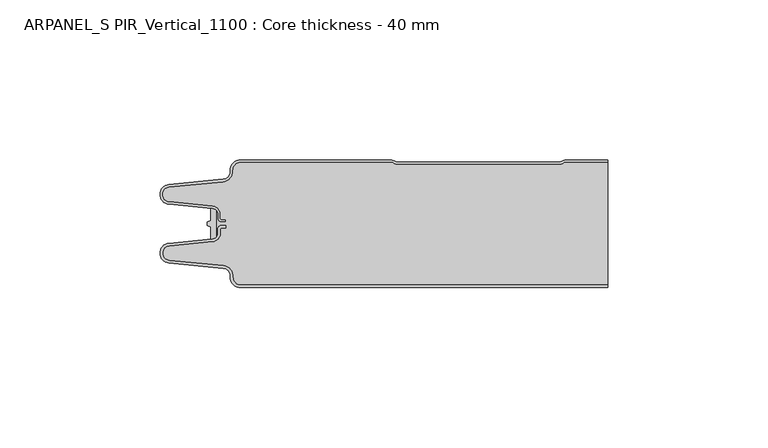
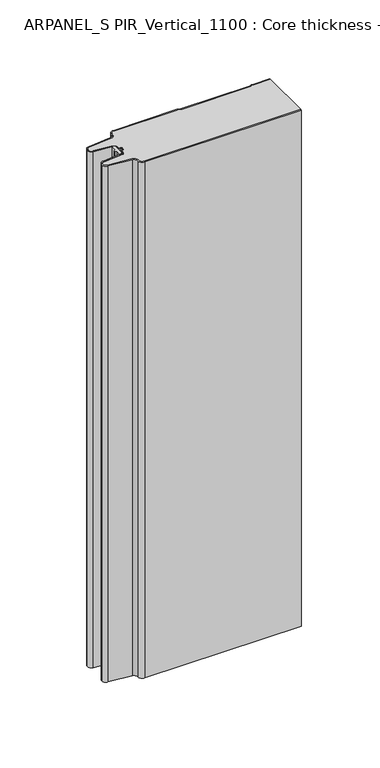
"""IFC4 building model written with IfcOpenShell, lengths in millimetres: plate geometry, ARPANEL_S PIR_Vertical_1100 : Core thickness - 40 mm."""

from ifc_helpers import new_model, si_unit, point, frame, frame_2d, origin, origin_with_axes, place, context, project, spatial, polyline, circle_curve, trimmed, segment, composite_curve, outline, extrude, source, transform, mapped, element, save
from ifc_brep_helpers import plane_surface, cylinder_surface, revolved_surface, advanced_brep


def arpanel_s_pir_vertical_1100_core_thickness_40_mm_82005796(model_context):
    return source(origin(), model_context, "Body", "SolidModel", [
        extrude(outline(composite_curve([segment(polyline([(-55.2854621, -19.4639745), (-54.0682893, -19.0209598), (-54.0682893, -15.20918)]), True, "CONTINUOUS"), segment(trimmed(circle_curve(frame_2d((-53.9194754, -17.302662)), 2.0987645), [point((-54.0682893, -15.20918))], [point((-52.4659308, -15.7887199))], False, "CARTESIAN"), True, "CONTINUOUS"), segment(polyline([(-52.4659308, -15.7887199), (-52.4659308, -24.2112801)]), True, "CONTINUOUS"), segment(trimmed(circle_curve(frame_2d((-53.9194754, -22.697338)), 2.0987645), [point((-52.4659308, -24.2112801))], [point((-54.0682893, -24.79082))], False, "CARTESIAN"), True, "CONTINUOUS"), segment(polyline([(-54.0682893, -24.79082), (-54.0682893, -20.9790402), (-55.2854621, -20.5360255), (-55.2854621, -19.4639745)]), True, "CONTINUOUS")], self_intersect=False)), origin_with_axes(), (0.0, 0.0, 1.0), 400.0),
        advanced_brep(
        [(-44.8000003, -39.9996949, 0.0), (-47.9923632, -36.5787437, 0.0), (-50.2560431, -33.9171154, 0.0), (-67.2115315, -32.2546153, 0.0), (-69.9999998, -29.1776715, 0.0), (-67.2115315, -26.1007278, 0.0), (-53.6195785, -24.7680252, 0.0), (-51.9952277, -22.9766159, 0.0), (-51.9952277, -21.8996949, 0.0), (-50.5952277, -20.4996949, 0.0), (-49.4952277, -20.4996949, 0.0), (-49.4952277, -21.2996949, 0.0), (-50.5952277, -21.2996949, 0.0), (-51.1952277, -21.8996949, 0.0), (-51.1952277, -22.9766159, 0.0), (-53.5415122, -25.5642071, 0.0), (-67.1334652, -26.8969097, 0.0), (-69.1999997, -29.1776715, 0.0), (-67.1334652, -31.4584333, 0.0), (-50.1779767, -33.1209335, 0.0), (-47.2078761, -36.6330399, 0.0), (-44.8000003, -39.1996949, 0.0), (69.9999998, -39.2, 0.0), (69.9999998, -39.9996949, 0.0), (-44.8000003, -39.1996949, 400.0), (-47.1942724, -36.6339815, 400.0), (-50.1779767, -33.1209335, 400.0), (-67.1334652, -31.4584333, 400.0), (-69.1999997, -29.1776715, 400.0), (-67.1334652, -26.8969097, 400.0), (-53.5415122, -25.5642071, 400.0), (-51.1952277, -22.9766159, 400.0), (-51.1952277, -21.8996949, 400.0), (-50.5952277, -21.2996949, 400.0), (-49.4952277, -21.2996949, 400.0), (-49.4952277, -20.4996949, 400.0), (-50.5952277, -20.4996949, 400.0), (-51.9952277, -21.8996949, 400.0), (-51.9952277, -22.9766159, 400.0), (-53.6195785, -24.7680252, 400.0), (-67.2115315, -26.1007278, 400.0), (-69.9999998, -29.1776715, 400.0), (-67.2115315, -32.2546153, 400.0), (-50.2560431, -33.9171154, 400.0), (-48.0059668, -36.5778021, 400.0), (-44.8000003, -39.9996949, 400.0), (69.9999998, -39.9996949, 400.0), (69.9999998, -39.2, 400.0)],
        [
            (0, 1, circle_curve(frame((-44.8000003, -36.7996949, 0.0), z_axis=(0.0, 0.0, -1.0), x_axis=(1.0, 0.0, 0.0)), 3.2)),
            (1, 2, circle_curve(frame((-50.5000003, -36.4051839, 0.0), z_axis=(0.0, 0.0, 1.0), x_axis=(1.0, 0.0, 0.0)), 2.5)),
            (2, 3),
            (3, 4, circle_curve(frame((-66.9100003, -29.1793626, 0.0), z_axis=(0.0, 0.0, -1.0), x_axis=(1.0, 0.0, 0.0)), 3.09)),
            (4, 5, circle_curve(frame((-66.9100003, -29.1759805, 0.0), z_axis=(0.0, 0.0, -1.0), x_axis=(1.0, 0.0, 0.0)), 3.09)),
            (5, 6),
            (6, 7, circle_curve(frame((-53.7952277, -22.9766159, 0.0), z_axis=(0.0, 0.0, 1.0), x_axis=(1.0, 0.0, 0.0)), 1.8)),
            (7, 8),
            (8, 9, circle_curve(frame((-50.5952277, -21.8996949, 0.0), z_axis=(0.0, 0.0, -1.0), x_axis=(1.0, 0.0, 0.0)), 1.4)),
            (9, 10),
            (10, 11),
            (11, 12),
            (12, 13, circle_curve(frame((-50.5952277, -21.8996949, 0.0), z_axis=(0.0, 0.0, 1.0), x_axis=(1.0, 0.0, 0.0)), 0.6)),
            (13, 14),
            (14, 15, circle_curve(frame((-53.7952277, -22.9766159, 0.0), z_axis=(0.0, 0.0, -1.0), x_axis=(1.0, 0.0, 0.0)), 2.6)),
            (15, 16),
            (16, 17, circle_curve(frame((-66.9100003, -29.1759805, 0.0), z_axis=(0.0, 0.0, 1.0), x_axis=(1.0, 0.0, 0.0)), 2.29)),
            (17, 18, circle_curve(frame((-66.9100003, -29.1793626, 0.0), z_axis=(0.0, 0.0, 1.0), x_axis=(1.0, 0.0, 0.0)), 2.29)),
            (18, 19),
            (19, 20, circle_curve(frame((-50.5000003, -36.4051839, 0.0), z_axis=(0.0, 0.0, -1.0), x_axis=(1.0, 0.0, 0.0)), 3.3)),
            (20, 21, circle_curve(frame((-44.8000003, -36.7996949, 0.0), z_axis=(0.0, 0.0, 1.0), x_axis=(1.0, 0.0, 0.0)), 2.4)),
            (21, 22),
            (22, 23),
            (23, 0),
            (24, 25, circle_curve(frame((-44.8000003, -36.7996949, 400.0), z_axis=(0.0, 0.0, -1.0), x_axis=(1.0, 0.0, 0.0)), 2.4)),
            (25, 26, circle_curve(frame((-50.5000003, -36.4051839, 400.0), z_axis=(0.0, 0.0, 1.0), x_axis=(1.0, 0.0, 0.0)), 3.3)),
            (26, 27),
            (27, 28, circle_curve(frame((-66.9100003, -29.1793626, 400.0), z_axis=(0.0, 0.0, -1.0), x_axis=(1.0, 0.0, 0.0)), 2.29)),
            (28, 29, circle_curve(frame((-66.9100003, -29.1759805, 400.0), z_axis=(0.0, 0.0, -1.0), x_axis=(1.0, 0.0, 0.0)), 2.29)),
            (29, 30),
            (30, 31, circle_curve(frame((-53.7952277, -22.9766159, 400.0), z_axis=(0.0, 0.0, 1.0), x_axis=(1.0, 0.0, 0.0)), 2.6)),
            (31, 32),
            (32, 33, circle_curve(frame((-50.5952277, -21.8996949, 400.0), z_axis=(0.0, 0.0, -1.0), x_axis=(1.0, 0.0, 0.0)), 0.6)),
            (33, 34),
            (34, 35),
            (35, 36),
            (36, 37, circle_curve(frame((-50.5952277, -21.8996949, 400.0), z_axis=(0.0, 0.0, 1.0), x_axis=(1.0, 0.0, 0.0)), 1.4)),
            (37, 38),
            (38, 39, circle_curve(frame((-53.7952277, -22.9766159, 400.0), z_axis=(0.0, 0.0, -1.0), x_axis=(1.0, 0.0, 0.0)), 1.8)),
            (39, 40),
            (40, 41, circle_curve(frame((-66.9100003, -29.1759805, 400.0), z_axis=(0.0, 0.0, 1.0), x_axis=(1.0, 0.0, 0.0)), 3.09)),
            (41, 42, circle_curve(frame((-66.9100003, -29.1793626, 400.0), z_axis=(0.0, 0.0, 1.0), x_axis=(1.0, 0.0, 0.0)), 3.09)),
            (42, 43),
            (43, 44, circle_curve(frame((-50.5000003, -36.4051839, 400.0), z_axis=(0.0, 0.0, -1.0), x_axis=(1.0, 0.0, 0.0)), 2.5)),
            (44, 45, circle_curve(frame((-44.8000003, -36.7996949, 400.0), z_axis=(0.0, 0.0, 1.0), x_axis=(1.0, 0.0, 0.0)), 3.2)),
            (45, 46),
            (46, 47),
            (47, 24),
            (21, 24),
            (47, 22),
            (20, 25),
            (19, 26),
            (18, 27),
            (17, 28),
            (16, 29),
            (15, 30),
            (14, 31),
            (13, 32),
            (12, 33),
            (11, 34),
            (10, 35),
            (9, 36),
            (8, 37),
            (7, 38),
            (6, 39),
            (5, 40),
            (4, 41),
            (3, 42),
            (2, 43),
            (1, 44),
            (0, 45),
            (23, 46),
        ],
        [
            plane_surface(frame((-69.9999998, -40.0, 0.0), z_axis=(0.0, 0.0, -1.0), x_axis=(0.0, 1.0, 0.0))),
            plane_surface(frame((-69.9999998, -40.0, 400.0), z_axis=(0.0, 0.0, 1.0), x_axis=(0.0, 1.0, 0.0))),
            plane_surface(frame((-44.8000003, -39.2, 0.0), z_axis=(0.0, 1.0, 0.0), x_axis=(0.0, 0.0, 1.0))),
            revolved_surface(polyline([(-42.4000003, -36.7996949, 400.0), (-42.4000003, -36.7996949, 0.0)]), (-44.8000003, -36.7996949, 0.0), (0.0, 0.0, 1.0)),
            cylinder_surface(frame((-50.5000003, -36.4051839, 0.0), z_axis=(0.0, 0.0, -1.0), x_axis=(1.0, 0.0, 0.0)), 3.3),
            plane_surface(frame((-67.1334652, -31.4584333, 0.0), z_axis=(0.09758289975914758, 0.9952273999818314, 0.0), x_axis=(0.0, 0.0, 1.0))),
            revolved_surface(polyline([(-64.62000029999999, -29.1793626, 400.0), (-64.62000029999999, -29.1793626, 0.0)]), (-66.9100003, -29.1793626, 0.0), (0.0, 0.0, 1.0)),
            revolved_surface(polyline([(-64.62000029999999, -29.1759805, 400.0), (-64.62000029999999, -29.1759805, 0.0)]), (-66.9100003, -29.1759805, 0.0), (0.0, 0.0, 1.0)),
            plane_surface(frame((-53.5415122, -25.5642071, 0.0), z_axis=(0.09758289975914383, -0.9952273999818317, 0.0), x_axis=(0.0, 0.0, 1.0))),
            cylinder_surface(frame((-53.7952277, -22.9766159, 0.0), z_axis=(0.0, 0.0, -1.0), x_axis=(1.0, 0.0, 0.0)), 2.6),
            plane_surface(frame((-51.1952277, -21.8996949, 0.0), z_axis=(1.0, 0.0, 0.0), x_axis=(0.0, 0.0, 1.0))),
            revolved_surface(polyline([(-49.9952277, -21.8996949, 400.0), (-49.9952277, -21.8996949, 0.0)]), (-50.5952277, -21.8996949, 0.0), (0.0, 0.0, 1.0)),
            plane_surface(frame((-49.4952277, -21.2996949, 0.0), z_axis=(0.0, -1.0, 0.0), x_axis=(0.0, 0.0, 1.0))),
            plane_surface(frame((-49.4952277, -20.4996949, 0.0), z_axis=(1.0, 0.0, 0.0), x_axis=(0.0, 0.0, 1.0))),
            plane_surface(frame((-50.5952277, -20.4996949, 0.0), z_axis=(0.0, 1.0, 0.0), x_axis=(0.0, 0.0, 1.0))),
            cylinder_surface(frame((-50.5952277, -21.8996949, 0.0), z_axis=(0.0, 0.0, -1.0), x_axis=(1.0, 0.0, 0.0)), 1.4),
            plane_surface(frame((-51.9952277, -22.9766159, 0.0), z_axis=(-1.0, 0.0, 0.0), x_axis=(0.0, 0.0, 1.0))),
            revolved_surface(polyline([(-51.9952277, -22.9766159, 400.0), (-51.9952277, -22.9766159, 0.0)]), (-53.7952277, -22.9766159, 0.0), (0.0, 0.0, 1.0)),
            plane_surface(frame((-67.2115315, -26.1007278, 0.0), z_axis=(-0.09758289975914387, 0.9952273999818317, 0.0), x_axis=(0.0, 0.0, 1.0))),
            cylinder_surface(frame((-66.9100003, -29.1759805, 0.0), z_axis=(0.0, 0.0, -1.0), x_axis=(1.0, 0.0, 0.0)), 3.09),
            cylinder_surface(frame((-66.9100003, -29.1793626, 0.0), z_axis=(0.0, 0.0, -1.0), x_axis=(1.0, 0.0, 0.0)), 3.09),
            plane_surface(frame((-50.2560431, -33.9171154, 0.0), z_axis=(-0.09758289975914762, -0.9952273999818314, 0.0), x_axis=(0.0, 0.0, 1.0))),
            revolved_surface(polyline([(-48.0000003, -36.4051839, 400.0), (-48.0000003, -36.4051839, 0.0)]), (-50.5000003, -36.4051839, 0.0), (0.0, 0.0, 1.0)),
            cylinder_surface(frame((-44.8000003, -36.7996949, 0.0), z_axis=(0.0, 0.0, -1.0), x_axis=(1.0, 0.0, 0.0)), 3.2),
            plane_surface(frame((1046.009932, -39.9996949, 0.0), z_axis=(0.0, -1.0, 0.0), x_axis=(0.0, 0.0, 1.0))),
            plane_surface(frame((69.9999998, 180.0, 400.0), z_axis=(1.0, 0.0, 0.0), x_axis=(0.0, 0.0, -1.0))),
        ],
        [
            (0, [[1, 2, 3, 4, 5, 6, 7, 8, 9, 10, 11, 12, 13, 14, 15, 16, 17, 18, 19, 20, 21, 22, 23, 24]]),
            (1, [[25, 26, 27, 28, 29, 30, 31, 32, 33, 34, 35, 36, 37, 38, 39, 40, 41, 42, 43, 44, 45, 46, 47, 48]]),
            (2, [[49, -48, 50, -22]]),
            (3, [[-21, 51, -25, -49]]),
            (4, [[-20, 52, -26, -51]]),
            (5, [[-19, 53, -27, -52]]),
            (6, [[-18, 54, -28, -53]]),
            (7, [[-17, 55, -29, -54]]),
            (8, [[-16, 56, -30, -55]]),
            (9, [[-15, 57, -31, -56]]),
            (10, [[-14, 58, -32, -57]]),
            (11, [[-13, 59, -33, -58]]),
            (12, [[-12, 60, -34, -59]]),
            (13, [[-11, 61, -35, -60]]),
            (14, [[-10, 62, -36, -61]]),
            (15, [[-9, 63, -37, -62]]),
            (16, [[-8, 64, -38, -63]]),
            (17, [[-7, 65, -39, -64]]),
            (18, [[-6, 66, -40, -65]]),
            (19, [[-5, 67, -41, -66]]),
            (20, [[-4, 68, -42, -67]]),
            (21, [[-3, 69, -43, -68]]),
            (22, [[-2, 70, -44, -69]]),
            (23, [[-1, 71, -45, -70]]),
            (24, [[-71, -24, 72, -46]]),
            (25, [[-23, -50, -47, -72]]),
        ],
    ),
        advanced_brep(
        [(-51.9952277, -17.0233841, 400.0), (-52.4671027, -15.8084422, 400.0), (-52.4671027, -24.1915578, 400.0), (-51.9952277, -22.9766159, 400.0), (-51.9952277, -21.8996949, 400.0), (-50.5952277, -20.4996949, 400.0), (-49.4952277, -20.4996949, 400.0), (-49.4952277, -21.2996949, 400.0), (-50.5952277, -21.2996949, 400.0), (-51.1952277, -21.8996949, 400.0), (-51.1952277, -22.9766159, 400.0), (-53.5415122, -25.5642071, 400.0), (-67.1334652, -26.8969097, 400.0), (-69.1999997, -29.1776715, 400.0), (-67.1334652, -31.4584333, 400.0), (-50.1779767, -33.1209335, 400.0), (-47.2078761, -36.6330399, 400.0), (-44.8000003, -39.1996949, 400.0), (69.9999998, -39.2, 400.0), (69.9999998, -0.8, 400.0), (57.0487965, -0.8, 400.0), (55.9973806, -1.0986697, 400.0), (54.5769997, -1.5003051, 400.0), (4.4172165, -1.5003051, 400.0), (2.9978051, -1.0971009, 400.0), (1.9454197, -0.8, 400.0), (-44.8000003, -0.8, 400.0), (-47.1942724, -3.3660185, 400.0), (-50.1779767, -6.8790665, 400.0), (-67.1334652, -8.5415667, 400.0), (-69.1999997, -10.8223285, 400.0), (-67.1334652, -13.1030903, 400.0), (-53.5415122, -14.4357929, 400.0), (-51.1952277, -17.0233841, 400.0), (-51.1952277, -18.1003051, 400.0), (-50.5952277, -18.7003051, 400.0), (-49.4952277, -18.7003051, 400.0), (-49.4952277, -19.5003051, 400.0), (-50.5952277, -19.5003051, 400.0), (-51.9952277, -18.1003051, 400.0), (-52.4671027, -15.8084422, 0.0), (-51.9952277, -17.0233841, 0.0), (-51.9952277, -18.1003051, 0.0), (-50.5952277, -19.5003051, 0.0), (-49.4952277, -19.5003051, 0.0), (-49.4952277, -18.7003051, 0.0), (-50.5952277, -18.7003051, 0.0), (-51.1952277, -18.1003051, 0.0), (-51.1952277, -17.0233841, 0.0), (-53.5415122, -14.4357929, 0.0), (-67.1334652, -13.1030903, 0.0), (-69.1999997, -10.8223285, 0.0), (-67.1334652, -8.5415667, 0.0), (-50.1779767, -6.8790665, 0.0), (-47.2078761, -3.3669601, 0.0), (-44.8000003, -0.8003051, 0.0), (1.9454197, -0.8, 0.0), (2.9968355, -1.0986697, 0.0), (4.4172165, -1.5003051, 0.0), (54.5769997, -1.5003051, 0.0), (55.9964111, -1.0971009, 0.0), (57.0487965, -0.8, 0.0), (69.9999998, -0.8, 0.0), (69.9999998, -39.2, 0.0), (-44.8000003, -39.2, 0.0), (-47.1942724, -36.6339815, 0.0), (-50.1779767, -33.1209335, 0.0), (-67.1334652, -31.4584333, 0.0), (-69.1999997, -29.1776715, 0.0), (-67.1334652, -26.8969097, 0.0), (-53.5415122, -25.5642071, 0.0), (-51.1952277, -22.9766159, 0.0), (-51.1952277, -21.8996949, 0.0), (-50.5952277, -21.2996949, 0.0), (-49.4952277, -21.2996949, 0.0), (-49.4952277, -20.4996949, 0.0), (-50.5952277, -20.4996949, 0.0), (-51.9952277, -21.8996949, 0.0), (-51.9952277, -22.9766159, 0.0), (-52.4671027, -24.1915578, 0.0)],
        [
            (0, 1, circle_curve(frame((-53.7952277, -17.0233841, 400.0), z_axis=(0.0, 0.0, 1.0), x_axis=(1.0, 0.0, 0.0)), 1.8)),
            (1, 2),
            (2, 3, circle_curve(frame((-53.7952277, -22.9766159, 400.0), z_axis=(0.0, 0.0, 1.0), x_axis=(1.0, 0.0, 0.0)), 1.8)),
            (3, 4),
            (4, 5, circle_curve(frame((-50.5952277, -21.8996949, 400.0), z_axis=(0.0, 0.0, -1.0), x_axis=(1.0, 0.0, 0.0)), 1.4)),
            (5, 6),
            (6, 7),
            (7, 8),
            (8, 9, circle_curve(frame((-50.5952277, -21.8996949, 400.0), z_axis=(0.0, 0.0, 1.0), x_axis=(1.0, 0.0, 0.0)), 0.6)),
            (9, 10),
            (10, 11, circle_curve(frame((-53.7952277, -22.9766159, 400.0), z_axis=(0.0, 0.0, -1.0), x_axis=(1.0, 0.0, 0.0)), 2.6)),
            (11, 12),
            (12, 13, circle_curve(frame((-66.9100003, -29.1759805, 400.0), z_axis=(0.0, 0.0, 1.0), x_axis=(1.0, 0.0, 0.0)), 2.29)),
            (13, 14, circle_curve(frame((-66.9100003, -29.1793626, 400.0), z_axis=(0.0, 0.0, 1.0), x_axis=(1.0, 0.0, 0.0)), 2.29)),
            (14, 15),
            (15, 16, circle_curve(frame((-50.5000003, -36.4051839, 400.0), z_axis=(0.0, 0.0, -1.0), x_axis=(1.0, 0.0, 0.0)), 3.3)),
            (16, 17, circle_curve(frame((-44.8000003, -36.7996949, 400.0), z_axis=(0.0, 0.0, 1.0), x_axis=(1.0, 0.0, 0.0)), 2.4)),
            (17, 18),
            (18, 19),
            (19, 20),
            (20, 21, circle_curve(frame((57.0487965, -2.8, 400.0), z_axis=(0.0, 0.0, 1.0), x_axis=(1.0, 0.0, 0.0)), 2.0)),
            (21, 22, circle_curve(frame((54.5769997, 1.1996949, 400.0), z_axis=(0.0, 0.0, -1.0), x_axis=(1.0, 0.0, 0.0)), 2.7)),
            (22, 23),
            (23, 24, circle_curve(frame((4.4172165, 1.1996949, 400.0), z_axis=(0.0, 0.0, -1.0), x_axis=(1.0, 0.0, 0.0)), 2.7)),
            (24, 25, circle_curve(frame((1.9454197, -2.8, 400.0), z_axis=(0.0, 0.0, 1.0), x_axis=(1.0, 0.0, 0.0)), 2.0)),
            (25, 26),
            (26, 27, circle_curve(frame((-44.8000003, -3.2003051, 400.0), z_axis=(0.0, 0.0, 1.0), x_axis=(1.0, 0.0, 0.0)), 2.4)),
            (27, 28, circle_curve(frame((-50.5000003, -3.5948161, 400.0), z_axis=(0.0, 0.0, -1.0), x_axis=(1.0, 0.0, 0.0)), 3.3)),
            (28, 29),
            (29, 30, circle_curve(frame((-66.9100003, -10.8206374, 400.0), z_axis=(0.0, 0.0, 1.0), x_axis=(1.0, 0.0, 0.0)), 2.29)),
            (30, 31, circle_curve(frame((-66.9100003, -10.8240195, 400.0), z_axis=(0.0, 0.0, 1.0), x_axis=(1.0, 0.0, 0.0)), 2.29)),
            (31, 32),
            (32, 33, circle_curve(frame((-53.7952277, -17.0233841, 400.0), z_axis=(0.0, 0.0, -1.0), x_axis=(1.0, 0.0, 0.0)), 2.6)),
            (33, 34),
            (34, 35, circle_curve(frame((-50.5952277, -18.1003051, 400.0), z_axis=(0.0, 0.0, 1.0), x_axis=(1.0, 0.0, 0.0)), 0.6)),
            (35, 36),
            (36, 37),
            (37, 38),
            (38, 39, circle_curve(frame((-50.5952277, -18.1003051, 400.0), z_axis=(0.0, 0.0, -1.0), x_axis=(1.0, 0.0, 0.0)), 1.4)),
            (39, 0),
            (40, 41, circle_curve(frame((-53.7952277, -17.0233841, 0.0), z_axis=(0.0, 0.0, -1.0), x_axis=(1.0, 0.0, 0.0)), 1.8)),
            (41, 42),
            (42, 43, circle_curve(frame((-50.5952277, -18.1003051, 0.0), z_axis=(0.0, 0.0, 1.0), x_axis=(1.0, 0.0, 0.0)), 1.4)),
            (43, 44),
            (44, 45),
            (45, 46),
            (46, 47, circle_curve(frame((-50.5952277, -18.1003051, 0.0), z_axis=(0.0, 0.0, -1.0), x_axis=(1.0, 0.0, 0.0)), 0.6)),
            (47, 48),
            (48, 49, circle_curve(frame((-53.7952277, -17.0233841, 0.0), z_axis=(0.0, 0.0, 1.0), x_axis=(1.0, 0.0, 0.0)), 2.6)),
            (49, 50),
            (50, 51, circle_curve(frame((-66.9100003, -10.8240195, 0.0), z_axis=(0.0, 0.0, -1.0), x_axis=(1.0, 0.0, 0.0)), 2.29)),
            (51, 52, circle_curve(frame((-66.9100003, -10.8206374, 0.0), z_axis=(0.0, 0.0, -1.0), x_axis=(1.0, 0.0, 0.0)), 2.29)),
            (52, 53),
            (53, 54, circle_curve(frame((-50.5000003, -3.5948161, 0.0), z_axis=(0.0, 0.0, 1.0), x_axis=(1.0, 0.0, 0.0)), 3.3)),
            (54, 55, circle_curve(frame((-44.8000003, -3.2003051, 0.0), z_axis=(0.0, 0.0, -1.0), x_axis=(1.0, 0.0, 0.0)), 2.4)),
            (55, 56),
            (56, 57, circle_curve(frame((1.9454197, -2.8, 0.0), z_axis=(0.0, 0.0, -1.0), x_axis=(1.0, 0.0, 0.0)), 2.0)),
            (57, 58, circle_curve(frame((4.4172165, 1.1996949, 0.0), z_axis=(0.0, 0.0, 1.0), x_axis=(1.0, 0.0, 0.0)), 2.7)),
            (58, 59),
            (59, 60, circle_curve(frame((54.5769997, 1.1996949, 0.0), z_axis=(0.0, 0.0, 1.0), x_axis=(1.0, 0.0, 0.0)), 2.7)),
            (60, 61, circle_curve(frame((57.0487965, -2.8, 0.0), z_axis=(0.0, 0.0, -1.0), x_axis=(1.0, 0.0, 0.0)), 2.0)),
            (61, 62),
            (62, 63),
            (63, 64),
            (64, 65, circle_curve(frame((-44.8000003, -36.7996949, 0.0), z_axis=(0.0, 0.0, -1.0), x_axis=(1.0, 0.0, 0.0)), 2.4)),
            (65, 66, circle_curve(frame((-50.5000003, -36.4051839, 0.0), z_axis=(0.0, 0.0, 1.0), x_axis=(1.0, 0.0, 0.0)), 3.3)),
            (66, 67),
            (67, 68, circle_curve(frame((-66.9100003, -29.1793626, 0.0), z_axis=(0.0, 0.0, -1.0), x_axis=(1.0, 0.0, 0.0)), 2.29)),
            (68, 69, circle_curve(frame((-66.9100003, -29.1759805, 0.0), z_axis=(0.0, 0.0, -1.0), x_axis=(1.0, 0.0, 0.0)), 2.29)),
            (69, 70),
            (70, 71, circle_curve(frame((-53.7952277, -22.9766159, 0.0), z_axis=(0.0, 0.0, 1.0), x_axis=(1.0, 0.0, 0.0)), 2.6)),
            (71, 72),
            (72, 73, circle_curve(frame((-50.5952277, -21.8996949, 0.0), z_axis=(0.0, 0.0, -1.0), x_axis=(1.0, 0.0, 0.0)), 0.6)),
            (73, 74),
            (74, 75),
            (75, 76),
            (76, 77, circle_curve(frame((-50.5952277, -21.8996949, 0.0), z_axis=(0.0, 0.0, 1.0), x_axis=(1.0, 0.0, 0.0)), 1.4)),
            (77, 78),
            (78, 79, circle_curve(frame((-53.7952277, -22.9766159, 0.0), z_axis=(0.0, 0.0, -1.0), x_axis=(1.0, 0.0, 0.0)), 1.8)),
            (79, 40),
            (1, 40),
            (79, 2),
            (0, 41),
            (39, 42),
            (38, 43),
            (37, 44),
            (45, 36),
            (35, 46),
            (34, 47),
            (33, 48),
            (32, 49),
            (31, 50),
            (30, 51),
            (29, 52),
            (28, 53),
            (27, 54),
            (26, 55),
            (25, 56),
            (24, 57),
            (23, 58),
            (22, 59),
            (21, 60),
            (20, 61),
            (19, 62),
            (17, 64),
            (63, 18),
            (16, 65),
            (15, 66),
            (14, 67),
            (13, 68),
            (12, 69),
            (11, 70),
            (10, 71),
            (9, 72),
            (8, 73),
            (7, 74),
            (6, 75),
            (5, 76),
            (4, 77),
            (3, 78),
        ],
        [
            plane_surface(frame((-69.9999998, 0.0, 400.0), z_axis=(0.0, 0.0, 1.0), x_axis=(0.0, -1.0, 0.0))),
            plane_surface(frame((-69.9999998, 0.0, 0.0), z_axis=(0.0, 0.0, -1.0), x_axis=(0.0, -1.0, 0.0))),
            plane_surface(frame((-52.4671027, -14.998578, 400.0), z_axis=(-1.0, 0.0, 0.0), x_axis=(0.0, 0.0, -1.0))),
            cylinder_surface(frame((-53.7952277, -17.0233841, 530.0), z_axis=(0.0, 0.0, -1.0), x_axis=(1.0, 0.0, 0.0)), 1.8),
            plane_surface(frame((-51.9952277, -17.0233841, 530.0), z_axis=(1.0, 0.0, 0.0), x_axis=(0.0, 0.0, -1.0))),
            revolved_surface(polyline([(-49.195227700000004, -18.1003051, 400.0), (-49.195227700000004, -18.1003051, 0.0)]), (-50.5952277, -18.1003051, 530.0), (0.0, 0.0, 1.0)),
            plane_surface(frame((-50.5952277, -19.5003051, 530.0), z_axis=(0.0, 1.0, 0.0), x_axis=(0.0, 0.0, -1.0))),
            plane_surface(frame((-49.4952277, -18.7003051, 530.0), z_axis=(0.0, -1.0, 0.0), x_axis=(0.0, 0.0, -1.0))),
            cylinder_surface(frame((-50.5952277, -18.1003051, 530.0), z_axis=(0.0, 0.0, -1.0), x_axis=(1.0, 0.0, 0.0)), 0.6),
            plane_surface(frame((-51.1952277, -18.1003051, 530.0), z_axis=(-1.0, 0.0, 0.0), x_axis=(0.0, 0.0, -1.0))),
            revolved_surface(polyline([(-51.1952277, -17.0233841, 400.0), (-51.1952277, -17.0233841, 0.0)]), (-53.7952277, -17.0233841, 530.0), (0.0, 0.0, 1.0)),
            plane_surface(frame((-53.5415122, -14.4357929, 530.0), z_axis=(-0.09758289975914705, -0.9952273999818314, 0.0), x_axis=(0.0, 0.0, -1.0))),
            cylinder_surface(frame((-66.9100003, -10.8240195, 530.0), z_axis=(0.0, 0.0, -1.0), x_axis=(1.0, 0.0, 0.0)), 2.29),
            cylinder_surface(frame((-66.9100003, -10.8206374, 530.0), z_axis=(0.0, 0.0, -1.0), x_axis=(1.0, 0.0, 0.0)), 2.29),
            plane_surface(frame((-67.1334652, -8.5415667, 530.0), z_axis=(-0.09758289975914436, 0.9952273999818317, 0.0), x_axis=(0.0, 0.0, -1.0))),
            revolved_surface(polyline([(-47.200000300000006, -3.5948161, 400.0), (-47.200000300000006, -3.5948161, 0.0)]), (-50.5000003, -3.5948161, 530.0), (0.0, 0.0, 1.0)),
            cylinder_surface(frame((-44.8000003, -3.2003051, 530.0), z_axis=(0.0, 0.0, -1.0), x_axis=(1.0, 0.0, 0.0)), 2.4),
            plane_surface(frame((-44.8000003, -0.8, 530.0), z_axis=(0.0, 1.0, 0.0), x_axis=(0.0, 0.0, -1.0))),
            cylinder_surface(frame((1.9454197, -2.8, 530.0), z_axis=(0.0, 0.0, -1.0), x_axis=(1.0, 0.0, 0.0)), 2.0),
            revolved_surface(polyline([(7.1172165000000005, 1.1996949, 400.0), (7.1172165000000005, 1.1996949, 0.0)]), (4.4172165, 1.1996949, 530.0), (0.0, 0.0, 1.0)),
            plane_surface(frame((4.4172165, -1.5003051, 530.0), z_axis=(0.0, 1.0, 0.0), x_axis=(0.0, 0.0, -1.0))),
            revolved_surface(polyline([(57.276999700000005, 1.1996949, 400.0), (57.276999700000005, 1.1996949, 0.0)]), (54.5769997, 1.1996949, 530.0), (0.0, 0.0, 1.0)),
            cylinder_surface(frame((57.0487965, -2.8, 530.0), z_axis=(0.0, 0.0, -1.0), x_axis=(1.0, 0.0, 0.0)), 2.0),
            plane_surface(frame((57.0487965, -0.8, 530.0), z_axis=(0.0, 1.0, 0.0), x_axis=(0.0, 0.0, -1.0))),
            plane_surface(frame((-49.4952277, -19.5003051, 530.0), z_axis=(-1.0, 0.0, 0.0), x_axis=(0.0, 0.0, -1.0))),
            plane_surface(frame((1046.009932, -39.2, 530.0), z_axis=(0.0, -1.0, 0.0), x_axis=(0.0, 0.0, -1.0))),
            cylinder_surface(frame((-44.8000003, -36.7996949, 530.0), z_axis=(0.0, 0.0, -1.0), x_axis=(1.0, 0.0, 0.0)), 2.4),
            revolved_surface(polyline([(-47.200000300000006, -36.4051839, 400.0), (-47.200000300000006, -36.4051839, 0.0)]), (-50.5000003, -36.4051839, 530.0), (0.0, 0.0, 1.0)),
            plane_surface(frame((-50.1779767, -33.1209335, 530.0), z_axis=(-0.09758289975914758, -0.9952273999818314, 0.0), x_axis=(0.0, 0.0, -1.0))),
            cylinder_surface(frame((-66.9100003, -29.1793626, 530.0), z_axis=(0.0, 0.0, -1.0), x_axis=(1.0, 0.0, 0.0)), 2.29),
            cylinder_surface(frame((-66.9100003, -29.1759805, 530.0), z_axis=(0.0, 0.0, -1.0), x_axis=(1.0, 0.0, 0.0)), 2.29),
            plane_surface(frame((-67.1334652, -26.8969097, 530.0), z_axis=(-0.09758289975914383, 0.9952273999818317, 0.0), x_axis=(0.0, 0.0, -1.0))),
            revolved_surface(polyline([(-51.1952277, -22.9766159, 400.0), (-51.1952277, -22.9766159, 0.0)]), (-53.7952277, -22.9766159, 530.0), (0.0, 0.0, 1.0)),
            plane_surface(frame((-51.1952277, -22.9766159, 530.0), z_axis=(-1.0, 0.0, 0.0), x_axis=(0.0, 0.0, -1.0))),
            cylinder_surface(frame((-50.5952277, -21.8996949, 530.0), z_axis=(0.0, 0.0, -1.0), x_axis=(1.0, 0.0, 0.0)), 0.6),
            plane_surface(frame((-50.5952277, -21.2996949, 530.0), z_axis=(0.0, 1.0, 0.0), x_axis=(0.0, 0.0, -1.0))),
            plane_surface(frame((-49.4952277, -21.2996949, 530.0), z_axis=(-1.0, 0.0, 0.0), x_axis=(0.0, 0.0, -1.0))),
            plane_surface(frame((-49.4952277, -20.4996949, 530.0), z_axis=(0.0, -1.0, 0.0), x_axis=(0.0, 0.0, -1.0))),
            revolved_surface(polyline([(-49.195227700000004, -21.8996949, 400.0), (-49.195227700000004, -21.8996949, 0.0)]), (-50.5952277, -21.8996949, 530.0), (0.0, 0.0, 1.0)),
            plane_surface(frame((-51.9952277, -21.8996949, 530.0), z_axis=(1.0, 0.0, 0.0), x_axis=(0.0, 0.0, -1.0))),
            cylinder_surface(frame((-53.7952277, -22.9766159, 530.0), z_axis=(0.0, 0.0, -1.0), x_axis=(1.0, 0.0, 0.0)), 1.8),
            plane_surface(frame((69.9999998, 180.0, 400.0), z_axis=(1.0, 0.0, 0.0), x_axis=(0.0, 0.0, -1.0))),
        ],
        [
            (0, [[1, 2, 3, 4, 5, 6, 7, 8, 9, 10, 11, 12, 13, 14, 15, 16, 17, 18, 19, 20, 21, 22, 23, 24, 25, 26, 27, 28, 29, 30, 31, 32, 33, 34, 35, 36, 37, 38, 39, 40]]),
            (1, [[41, 42, 43, 44, 45, 46, 47, 48, 49, 50, 51, 52, 53, 54, 55, 56, 57, 58, 59, 60, 61, 62, 63, 64, 65, 66, 67, 68, 69, 70, 71, 72, 73, 74, 75, 76, 77, 78, 79, 80]]),
            (2, [[81, -80, 82, -2]]),
            (3, [[83, -41, -81, -1]]),
            (4, [[-83, -40, 84, -42]]),
            (5, [[-84, -39, 85, -43]]),
            (6, [[-85, -38, 86, -44]]),
            (7, [[87, -36, 88, -46]]),
            (8, [[-88, -35, 89, -47]]),
            (9, [[-89, -34, 90, -48]]),
            (10, [[-90, -33, 91, -49]]),
            (11, [[-91, -32, 92, -50]]),
            (12, [[-92, -31, 93, -51]]),
            (13, [[-93, -30, 94, -52]]),
            (14, [[-94, -29, 95, -53]]),
            (15, [[-95, -28, 96, -54]]),
            (16, [[-96, -27, 97, -55]]),
            (17, [[-97, -26, 98, -56]]),
            (18, [[-98, -25, 99, -57]]),
            (19, [[-99, -24, 100, -58]]),
            (20, [[-100, -23, 101, -59]]),
            (21, [[-101, -22, 102, -60]]),
            (22, [[-102, -21, 103, -61]]),
            (23, [[-103, -20, 104, -62]]),
            (24, [[-87, -45, -86, -37]]),
            (25, [[105, -64, 106, -18]]),
            (26, [[-105, -17, 107, -65]]),
            (27, [[-107, -16, 108, -66]]),
            (28, [[-108, -15, 109, -67]]),
            (29, [[-109, -14, 110, -68]]),
            (30, [[-110, -13, 111, -69]]),
            (31, [[-111, -12, 112, -70]]),
            (32, [[-112, -11, 113, -71]]),
            (33, [[-113, -10, 114, -72]]),
            (34, [[-114, -9, 115, -73]]),
            (35, [[-115, -8, 116, -74]]),
            (36, [[-116, -7, 117, -75]]),
            (37, [[-117, -6, 118, -76]]),
            (38, [[-118, -5, 119, -77]]),
            (39, [[-119, -4, 120, -78]]),
            (40, [[-120, -3, -82, -79]]),
            (41, [[-104, -19, -106, -63]]),
        ],
    ),
        advanced_brep(
        [(2.9968355, -1.0986697, 0.0), (1.9454197, -0.8, 0.0), (-44.8000003, -0.8, 0.0), (-47.1942724, -3.3660185, 0.0), (-50.1779767, -6.8790665, 0.0), (-67.1334652, -8.5415667, 0.0), (-69.1999997, -10.8223285, 0.0), (-67.1334652, -13.1030903, 0.0), (-53.5415122, -14.4357929, 0.0), (-51.1952277, -17.0233841, 0.0), (-51.1952277, -18.1003051, 0.0), (-50.5952277, -18.7003051, 0.0), (-49.4952277, -18.7003051, 0.0), (-49.4952277, -19.5003051, 0.0), (-50.5952277, -19.5003051, 0.0), (-51.9952277, -18.1003051, 0.0), (-51.9952277, -17.0233841, 0.0), (-53.6195785, -15.2319748, 0.0), (-67.2115315, -13.8992722, 0.0), (-69.9999998, -10.8223285, 0.0), (-67.2115315, -7.7453847, 0.0), (-50.2560431, -6.0828846, 0.0), (-48.0059668, -3.4221979, 0.0), (-44.8000003, -0.0003051, 0.0), (1.9454197, -0.0003051, 0.0), (3.3647528, -0.4034608, 0.0), (4.4172165, -0.7003051, 0.0), (54.5769997, -0.7003051, 0.0), (55.6283575, -0.4016712, 0.0), (57.0487965, -0.0003051, 0.0), (69.9999998, -0.0003051, 0.0), (69.9999998, -0.8, 0.0), (57.0487965, -0.8, 0.0), (55.9973806, -1.0986697, 0.0), (54.5769997, -1.5003051, 0.0), (4.4172165, -1.5003051, 0.0), (2.9978051, -1.0971009, 400.0), (4.4172165, -1.5003051, 400.0), (54.5769997, -1.5003051, 400.0), (55.9964111, -1.0971009, 400.0), (57.0487965, -0.8, 400.0), (69.9999998, -0.8, 400.0), (69.9999998, -0.0003051, 400.0), (57.0487965, -0.0003051, 400.0), (55.6294634, -0.4034608, 400.0), (54.5769997, -0.7003051, 400.0), (4.4172165, -0.7003051, 400.0), (3.3658586, -0.4016712, 400.0), (1.9454197, -0.0003051, 400.0), (-44.8000003, -0.0003051, 400.0), (-47.9923632, -3.4212563, 400.0), (-50.2560431, -6.0828846, 400.0), (-67.2115315, -7.7453847, 400.0), (-69.9999998, -10.8223285, 400.0), (-67.2115315, -13.8992722, 400.0), (-53.6195785, -15.2319748, 400.0), (-51.9952277, -17.0233841, 400.0), (-51.9952277, -18.1003051, 400.0), (-50.5952277, -19.5003051, 400.0), (-49.4952277, -19.5003051, 400.0), (-49.4952277, -18.7003051, 400.0), (-50.5952277, -18.7003051, 400.0), (-51.1952277, -18.1003051, 400.0), (-51.1952277, -17.0233841, 400.0), (-53.5415122, -14.4357929, 400.0), (-67.1334652, -13.1030903, 400.0), (-69.1999997, -10.8223285, 400.0), (-67.1334652, -8.5415667, 400.0), (-50.1779767, -6.8790665, 400.0), (-47.2078761, -3.3669601, 400.0), (-44.8000003, -0.8003051, 400.0), (1.9454197, -0.8, 400.0)],
        [
            (0, 1, circle_curve(frame((1.9454197, -2.8, 0.0), z_axis=(0.0, 0.0, 1.0), x_axis=(1.0, 0.0, 0.0)), 2.0)),
            (1, 2),
            (2, 3, circle_curve(frame((-44.8000003, -3.2003051, 0.0), z_axis=(0.0, 0.0, 1.0), x_axis=(1.0, 0.0, 0.0)), 2.4)),
            (3, 4, circle_curve(frame((-50.5000003, -3.5948161, 0.0), z_axis=(0.0, 0.0, -1.0), x_axis=(1.0, 0.0, 0.0)), 3.3)),
            (4, 5),
            (5, 6, circle_curve(frame((-66.9100003, -10.8206374, 0.0), z_axis=(0.0, 0.0, 1.0), x_axis=(1.0, 0.0, 0.0)), 2.29)),
            (6, 7, circle_curve(frame((-66.9100003, -10.8240195, 0.0), z_axis=(0.0, 0.0, 1.0), x_axis=(1.0, 0.0, 0.0)), 2.29)),
            (7, 8),
            (8, 9, circle_curve(frame((-53.7952277, -17.0233841, 0.0), z_axis=(0.0, 0.0, -1.0), x_axis=(1.0, 0.0, 0.0)), 2.6)),
            (9, 10),
            (10, 11, circle_curve(frame((-50.5952277, -18.1003051, 0.0), z_axis=(0.0, 0.0, 1.0), x_axis=(1.0, 0.0, 0.0)), 0.6)),
            (11, 12),
            (12, 13),
            (13, 14),
            (14, 15, circle_curve(frame((-50.5952277, -18.1003051, 0.0), z_axis=(0.0, 0.0, -1.0), x_axis=(1.0, 0.0, 0.0)), 1.4)),
            (15, 16),
            (16, 17, circle_curve(frame((-53.7952277, -17.0233841, 0.0), z_axis=(0.0, 0.0, 1.0), x_axis=(1.0, 0.0, 0.0)), 1.8)),
            (17, 18),
            (18, 19, circle_curve(frame((-66.9100003, -10.8240195, 0.0), z_axis=(0.0, 0.0, -1.0), x_axis=(1.0, 0.0, 0.0)), 3.09)),
            (19, 20, circle_curve(frame((-66.9100003, -10.8206374, 0.0), z_axis=(0.0, 0.0, -1.0), x_axis=(1.0, 0.0, 0.0)), 3.09)),
            (20, 21),
            (21, 22, circle_curve(frame((-50.5000003, -3.5948161, 0.0), z_axis=(0.0, 0.0, 1.0), x_axis=(1.0, 0.0, 0.0)), 2.5)),
            (22, 23, circle_curve(frame((-44.8000003, -3.2003051, 0.0), z_axis=(0.0, 0.0, -1.0), x_axis=(1.0, 0.0, 0.0)), 3.2)),
            (23, 24),
            (24, 25, circle_curve(frame((1.9454197, -2.7003051, 0.0), z_axis=(0.0, 0.0, -1.0), x_axis=(1.0, 0.0, 0.0)), 2.7)),
            (25, 26, circle_curve(frame((4.4172165, 1.2996949, 0.0), z_axis=(0.0, 0.0, 1.0), x_axis=(1.0, 0.0, 0.0)), 2.0)),
            (26, 27),
            (27, 28, circle_curve(frame((54.5769997, 1.2996949, 0.0), z_axis=(0.0, 0.0, 1.0), x_axis=(1.0, 0.0, 0.0)), 2.0)),
            (28, 29, circle_curve(frame((57.0487965, -2.7003051, 0.0), z_axis=(0.0, 0.0, -1.0), x_axis=(1.0, 0.0, 0.0)), 2.7)),
            (29, 30),
            (30, 31),
            (31, 32),
            (32, 33, circle_curve(frame((57.0487965, -2.8, 0.0), z_axis=(0.0, 0.0, 1.0), x_axis=(1.0, 0.0, 0.0)), 2.0)),
            (33, 34, circle_curve(frame((54.5769997, 1.1996949, 0.0), z_axis=(0.0, 0.0, -1.0), x_axis=(1.0, 0.0, 0.0)), 2.7)),
            (34, 35),
            (35, 0, circle_curve(frame((4.4172165, 1.1996949, 0.0), z_axis=(0.0, 0.0, -1.0), x_axis=(1.0, 0.0, 0.0)), 2.7)),
            (36, 37, circle_curve(frame((4.4172165, 1.1996949, 400.0), z_axis=(0.0, 0.0, 1.0), x_axis=(1.0, 0.0, 0.0)), 2.7)),
            (37, 38),
            (38, 39, circle_curve(frame((54.5769997, 1.1996949, 400.0), z_axis=(0.0, 0.0, 1.0), x_axis=(1.0, 0.0, 0.0)), 2.7)),
            (39, 40, circle_curve(frame((57.0487965, -2.8, 400.0), z_axis=(0.0, 0.0, -1.0), x_axis=(1.0, 0.0, 0.0)), 2.0)),
            (40, 41),
            (41, 42),
            (42, 43),
            (43, 44, circle_curve(frame((57.0487965, -2.7003051, 400.0), z_axis=(0.0, 0.0, 1.0), x_axis=(1.0, 0.0, 0.0)), 2.7)),
            (44, 45, circle_curve(frame((54.5769997, 1.2996949, 400.0), z_axis=(0.0, 0.0, -1.0), x_axis=(1.0, 0.0, 0.0)), 2.0)),
            (45, 46),
            (46, 47, circle_curve(frame((4.4172165, 1.2996949, 400.0), z_axis=(0.0, 0.0, -1.0), x_axis=(1.0, 0.0, 0.0)), 2.0)),
            (47, 48, circle_curve(frame((1.9454197, -2.7003051, 400.0), z_axis=(0.0, 0.0, 1.0), x_axis=(1.0, 0.0, 0.0)), 2.7)),
            (48, 49),
            (49, 50, circle_curve(frame((-44.8000003, -3.2003051, 400.0), z_axis=(0.0, 0.0, 1.0), x_axis=(1.0, 0.0, 0.0)), 3.2)),
            (50, 51, circle_curve(frame((-50.5000003, -3.5948161, 400.0), z_axis=(0.0, 0.0, -1.0), x_axis=(1.0, 0.0, 0.0)), 2.5)),
            (51, 52),
            (52, 53, circle_curve(frame((-66.9100003, -10.8206374, 400.0), z_axis=(0.0, 0.0, 1.0), x_axis=(1.0, 0.0, 0.0)), 3.09)),
            (53, 54, circle_curve(frame((-66.9100003, -10.8240195, 400.0), z_axis=(0.0, 0.0, 1.0), x_axis=(1.0, 0.0, 0.0)), 3.09)),
            (54, 55),
            (55, 56, circle_curve(frame((-53.7952277, -17.0233841, 400.0), z_axis=(0.0, 0.0, -1.0), x_axis=(1.0, 0.0, 0.0)), 1.8)),
            (56, 57),
            (57, 58, circle_curve(frame((-50.5952277, -18.1003051, 400.0), z_axis=(0.0, 0.0, 1.0), x_axis=(1.0, 0.0, 0.0)), 1.4)),
            (58, 59),
            (59, 60),
            (60, 61),
            (61, 62, circle_curve(frame((-50.5952277, -18.1003051, 400.0), z_axis=(0.0, 0.0, -1.0), x_axis=(1.0, 0.0, 0.0)), 0.6)),
            (62, 63),
            (63, 64, circle_curve(frame((-53.7952277, -17.0233841, 400.0), z_axis=(0.0, 0.0, 1.0), x_axis=(1.0, 0.0, 0.0)), 2.6)),
            (64, 65),
            (65, 66, circle_curve(frame((-66.9100003, -10.8240195, 400.0), z_axis=(0.0, 0.0, -1.0), x_axis=(1.0, 0.0, 0.0)), 2.29)),
            (66, 67, circle_curve(frame((-66.9100003, -10.8206374, 400.0), z_axis=(0.0, 0.0, -1.0), x_axis=(1.0, 0.0, 0.0)), 2.29)),
            (67, 68),
            (68, 69, circle_curve(frame((-50.5000003, -3.5948161, 400.0), z_axis=(0.0, 0.0, 1.0), x_axis=(1.0, 0.0, 0.0)), 3.3)),
            (69, 70, circle_curve(frame((-44.8000003, -3.2003051, 400.0), z_axis=(0.0, 0.0, -1.0), x_axis=(1.0, 0.0, 0.0)), 2.4)),
            (70, 71),
            (71, 36, circle_curve(frame((1.9454197, -2.8, 400.0), z_axis=(0.0, 0.0, -1.0), x_axis=(1.0, 0.0, 0.0)), 2.0)),
            (0, 36),
            (71, 1),
            (70, 2),
            (69, 3),
            (68, 4),
            (67, 5),
            (66, 6),
            (65, 7),
            (64, 8),
            (63, 9),
            (62, 10),
            (61, 11),
            (60, 12),
            (59, 13),
            (58, 14),
            (57, 15),
            (56, 16),
            (55, 17),
            (54, 18),
            (53, 19),
            (52, 20),
            (51, 21),
            (50, 22),
            (49, 23),
            (48, 24),
            (47, 25),
            (46, 26),
            (45, 27),
            (44, 28),
            (43, 29),
            (42, 30),
            (40, 32),
            (31, 41),
            (39, 33),
            (38, 34),
            (37, 35),
        ],
        [
            plane_surface(frame((-69.9999998, 0.0, 0.0), z_axis=(0.0, 0.0, -1.0), x_axis=(0.0, -1.0, 0.0))),
            plane_surface(frame((-69.9999998, 0.0, 400.0), z_axis=(0.0, 0.0, 1.0), x_axis=(0.0, -1.0, 0.0))),
            revolved_surface(polyline([(3.9454197, -2.8, 400.0), (3.9454197, -2.8, 0.0)]), (1.9454197, -2.8, 0.0), (0.0, 0.0, 1.0)),
            plane_surface(frame((1.9454197, -0.8, 0.0), z_axis=(0.0, -1.0, 0.0), x_axis=(0.0, 0.0, 1.0))),
            revolved_surface(polyline([(-42.4000003, -3.2003051, 400.0), (-42.4000003, -3.2003051, 0.0)]), (-44.8000003, -3.2003051, 0.0), (0.0, 0.0, 1.0)),
            cylinder_surface(frame((-50.5000003, -3.5948161, 0.0), z_axis=(0.0, 0.0, -1.0), x_axis=(1.0, 0.0, 0.0)), 3.3),
            plane_surface(frame((-50.1779767, -6.8790665, 0.0), z_axis=(0.09758289975914113, -0.9952273999818321, 0.0), x_axis=(0.0, 0.0, 1.0))),
            revolved_surface(polyline([(-64.62000029999999, -10.8206374, 400.0), (-64.62000029999999, -10.8206374, 0.0)]), (-66.9100003, -10.8206374, 0.0), (0.0, 0.0, 1.0)),
            revolved_surface(polyline([(-64.62000029999999, -10.8240195, 400.0), (-64.62000029999999, -10.8240195, 0.0)]), (-66.9100003, -10.8240195, 0.0), (0.0, 0.0, 1.0)),
            plane_surface(frame((-67.1334652, -13.1030903, 0.0), z_axis=(0.0975828997591503, 0.9952273999818312, 0.0), x_axis=(0.0, 0.0, 1.0))),
            cylinder_surface(frame((-53.7952277, -17.0233841, 0.0), z_axis=(0.0, 0.0, -1.0), x_axis=(1.0, 0.0, 0.0)), 2.6),
            plane_surface(frame((-51.1952277, -17.0233841, 0.0), z_axis=(1.0, 0.0, 0.0), x_axis=(0.0, 0.0, 1.0))),
            revolved_surface(polyline([(-49.9952277, -18.1003051, 400.0), (-49.9952277, -18.1003051, 0.0)]), (-50.5952277, -18.1003051, 0.0), (0.0, 0.0, 1.0)),
            plane_surface(frame((-50.5952277, -18.7003051, 0.0), z_axis=(0.0, 1.0, 0.0), x_axis=(0.0, 0.0, 1.0))),
            plane_surface(frame((-49.4952277, -18.7003051, 0.0), z_axis=(1.0, 0.0, 0.0), x_axis=(0.0, 0.0, 1.0))),
            plane_surface(frame((-49.4952277, -19.5003051, 0.0), z_axis=(0.0, -1.0, 0.0), x_axis=(0.0, 0.0, 1.0))),
            cylinder_surface(frame((-50.5952277, -18.1003051, 0.0), z_axis=(0.0, 0.0, -1.0), x_axis=(1.0, 0.0, 0.0)), 1.4),
            plane_surface(frame((-51.9952277, -18.1003051, 0.0), z_axis=(-1.0, 0.0, 0.0), x_axis=(0.0, 0.0, 1.0))),
            revolved_surface(polyline([(-51.9952277, -17.0233841, 400.0), (-51.9952277, -17.0233841, 0.0)]), (-53.7952277, -17.0233841, 0.0), (0.0, 0.0, 1.0)),
            plane_surface(frame((-53.6195785, -15.2319748, 0.0), z_axis=(-0.09758289975915034, -0.9952273999818312, 0.0), x_axis=(0.0, 0.0, 1.0))),
            cylinder_surface(frame((-66.9100003, -10.8240195, 0.0), z_axis=(0.0, 0.0, -1.0), x_axis=(1.0, 0.0, 0.0)), 3.09),
            cylinder_surface(frame((-66.9100003, -10.8206374, 0.0), z_axis=(0.0, 0.0, -1.0), x_axis=(1.0, 0.0, 0.0)), 3.09),
            plane_surface(frame((-67.2115315, -7.7453847, 0.0), z_axis=(-0.09758289975914117, 0.9952273999818321, 0.0), x_axis=(0.0, 0.0, 1.0))),
            revolved_surface(polyline([(-48.0000003, -3.5948161, 400.0), (-48.0000003, -3.5948161, 0.0)]), (-50.5000003, -3.5948161, 0.0), (0.0, 0.0, 1.0)),
            cylinder_surface(frame((-44.8000003, -3.2003051, 0.0), z_axis=(0.0, 0.0, -1.0), x_axis=(1.0, 0.0, 0.0)), 3.2),
            plane_surface(frame((-44.8000003, -0.0003051, 0.0), z_axis=(0.0, 1.0, 0.0), x_axis=(0.0, 0.0, 1.0))),
            cylinder_surface(frame((1.9454197, -2.7003051, 0.0), z_axis=(0.0, 0.0, -1.0), x_axis=(1.0, 0.0, 0.0)), 2.7),
            revolved_surface(polyline([(6.4172165, 1.2996949, 400.0), (6.4172165, 1.2996949, 0.0)]), (4.4172165, 1.2996949, 0.0), (0.0, 0.0, 1.0)),
            plane_surface(frame((4.4172165, -0.7003051, 0.0), z_axis=(0.0, 1.0, 0.0), x_axis=(0.0, 0.0, 1.0))),
            revolved_surface(polyline([(56.5769997, 1.2996949, 400.0), (56.5769997, 1.2996949, 0.0)]), (54.5769997, 1.2996949, 0.0), (0.0, 0.0, 1.0)),
            cylinder_surface(frame((57.0487965, -2.7003051, 0.0), z_axis=(0.0, 0.0, -1.0), x_axis=(1.0, 0.0, 0.0)), 2.7),
            plane_surface(frame((57.0487965, -0.0003051, 0.0), z_axis=(0.0, 1.0, 0.0), x_axis=(0.0, 0.0, 1.0))),
            plane_surface(frame((107.2085797, -0.8, 0.0), z_axis=(0.0, -1.0, 0.0), x_axis=(0.0, 0.0, 1.0))),
            revolved_surface(polyline([(59.0487965, -2.8, 400.0), (59.0487965, -2.8, 0.0)]), (57.0487965, -2.8, 0.0), (0.0, 0.0, 1.0)),
            cylinder_surface(frame((54.5769997, 1.1996949, 0.0), z_axis=(0.0, 0.0, -1.0), x_axis=(1.0, 0.0, 0.0)), 2.7),
            plane_surface(frame((54.5769997, -1.5003051, 0.0), z_axis=(0.0, -1.0, 0.0), x_axis=(0.0, 0.0, 1.0))),
            cylinder_surface(frame((4.4172165, 1.1996949, 0.0), z_axis=(0.0, 0.0, -1.0), x_axis=(1.0, 0.0, 0.0)), 2.7),
            plane_surface(frame((69.9999998, 180.0, 400.0), z_axis=(1.0, 0.0, 0.0), x_axis=(0.0, 0.0, -1.0))),
        ],
        [
            (0, [[1, 2, 3, 4, 5, 6, 7, 8, 9, 10, 11, 12, 13, 14, 15, 16, 17, 18, 19, 20, 21, 22, 23, 24, 25, 26, 27, 28, 29, 30, 31, 32, 33, 34, 35, 36]]),
            (1, [[37, 38, 39, 40, 41, 42, 43, 44, 45, 46, 47, 48, 49, 50, 51, 52, 53, 54, 55, 56, 57, 58, 59, 60, 61, 62, 63, 64, 65, 66, 67, 68, 69, 70, 71, 72]]),
            (2, [[-1, 73, -72, 74]]),
            (3, [[-2, -74, -71, 75]]),
            (4, [[-3, -75, -70, 76]]),
            (5, [[-4, -76, -69, 77]]),
            (6, [[-5, -77, -68, 78]]),
            (7, [[-6, -78, -67, 79]]),
            (8, [[-7, -79, -66, 80]]),
            (9, [[-8, -80, -65, 81]]),
            (10, [[-9, -81, -64, 82]]),
            (11, [[-10, -82, -63, 83]]),
            (12, [[-11, -83, -62, 84]]),
            (13, [[-12, -84, -61, 85]]),
            (14, [[-13, -85, -60, 86]]),
            (15, [[-14, -86, -59, 87]]),
            (16, [[-15, -87, -58, 88]]),
            (17, [[-16, -88, -57, 89]]),
            (18, [[-17, -89, -56, 90]]),
            (19, [[-18, -90, -55, 91]]),
            (20, [[-19, -91, -54, 92]]),
            (21, [[-20, -92, -53, 93]]),
            (22, [[-21, -93, -52, 94]]),
            (23, [[-22, -94, -51, 95]]),
            (24, [[-23, -95, -50, 96]]),
            (25, [[-24, -96, -49, 97]]),
            (26, [[-25, -97, -48, 98]]),
            (27, [[-26, -98, -47, 99]]),
            (28, [[-27, -99, -46, 100]]),
            (29, [[-28, -100, -45, 101]]),
            (30, [[-29, -101, -44, 102]]),
            (31, [[-102, -43, 103, -30]]),
            (32, [[104, -32, 105, -41]]),
            (33, [[-33, -104, -40, 106]]),
            (34, [[-34, -106, -39, 107]]),
            (35, [[-35, -107, -38, 108]]),
            (36, [[-36, -108, -37, -73]]),
            (37, [[-31, -103, -42, -105]]),
        ],
    ),
    ])


if __name__ == "__main__":
    model = new_model("IFC4")
    model_context = context("Model", 3, world=origin())
    ifc_project = project(units=[si_unit("LENGTHUNIT", "METRE", prefix="MILLI")], contexts=[model_context])
    site = spatial("IfcSite", under=ifc_project)
    building = spatial("IfcBuilding", under=site)
    placement = place(None, origin())
    arpanel_s_pir_vertical_1100_core_thickness_40_mm_shape = arpanel_s_pir_vertical_1100_core_thickness_40_mm_82005796(model_context)
    element("IfcPlate", 1, ObjectType="ARPANEL_S PIR_Vertical_1100 : Core thickness - 40 mm", at=placement, inside=building, context=model_context, shape_type="MappedRepresentation", body=[
        mapped(arpanel_s_pir_vertical_1100_core_thickness_40_mm_shape, transform((0.0, 0.0, 0.0), x_axis=(1.0, 0.0, 0.0), y_axis=(0.0, 1.0, 0.0), z_axis=(0.0, 0.0, 1.0))),
    ])
    save(model, "model.ifc")
